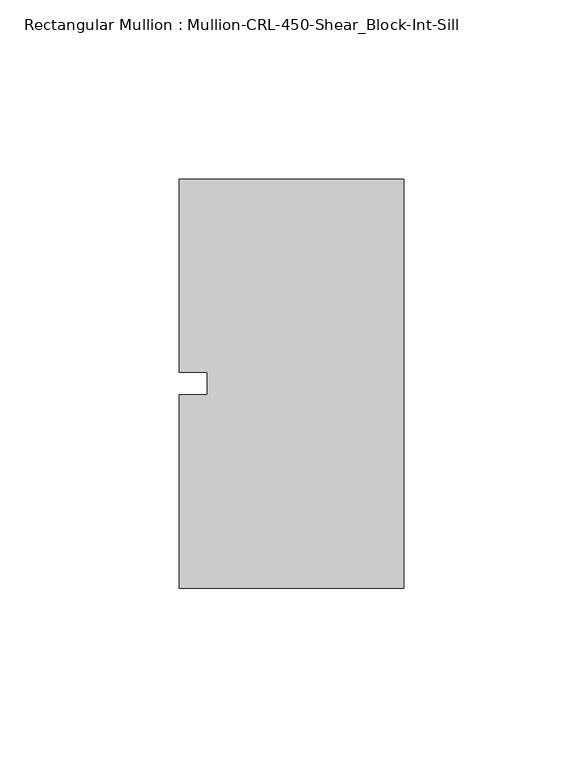
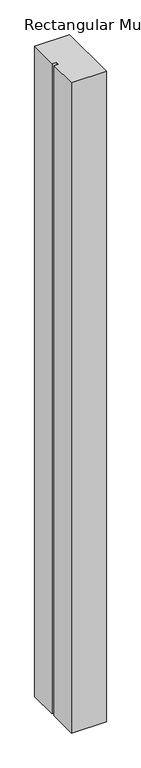
"""IFC4 building model written with IfcOpenShell, lengths in millimetres: member geometry, Rectangular Mullion : Mullion-CRL-450-Shear_Block-Int-Sill."""

from ifc_helpers import new_model, si_unit, frame, origin, place, context, project, spatial, polyline, outline, extrude, source, transform, mapped, element, save


def rectangular_mullion_mullion_crl_450_shear_block_int_sill_eb2faceb(model_context):
    return source(origin(), model_context, "Body", "SweptSolid", [
        extrude(outline(polyline([(-62.70625, -3.175), (-54.76875, -3.175), (-54.76875, 3.175), (-62.70625, 3.175), (-62.70625, 57.15), (0.0, 57.15), (0.0, -57.15), (-62.70625, -57.15), (-62.70625, -3.175)])), frame((0.0, 0.0, -1234.0166667), z_axis=(0.0, 0.0, 1.0), x_axis=(1.0, 0.0, 0.0)), (0.0, 0.0, 1.0), 1234.0166667),
    ])


if __name__ == "__main__":
    model = new_model("IFC4")
    model_context = context("Model", 3, world=origin())
    ifc_project = project(units=[si_unit("LENGTHUNIT", "METRE", prefix="MILLI")], contexts=[model_context])
    site = spatial("IfcSite", under=ifc_project)
    building = spatial("IfcBuilding", under=site)
    placement = place(None, origin())
    rectangular_mullion_mullion_crl_450_shear_block_int_sill_shape = rectangular_mullion_mullion_crl_450_shear_block_int_sill_eb2faceb(model_context)
    element("IfcMember", 1, ObjectType="Rectangular Mullion : Mullion-CRL-450-Shear_Block-Int-Sill", at=placement, inside=building, context=model_context, shape_type="MappedRepresentation", body=[
        mapped(rectangular_mullion_mullion_crl_450_shear_block_int_sill_shape, transform((0.0, 0.0, 0.0), x_axis=(1.0, 0.0, 0.0), y_axis=(0.0, 1.0, 0.0), z_axis=(0.0, 0.0, 1.0))),
    ])
    save(model, "model.ifc")
